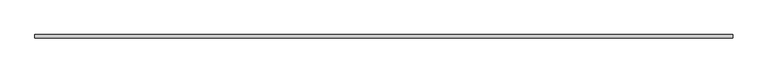
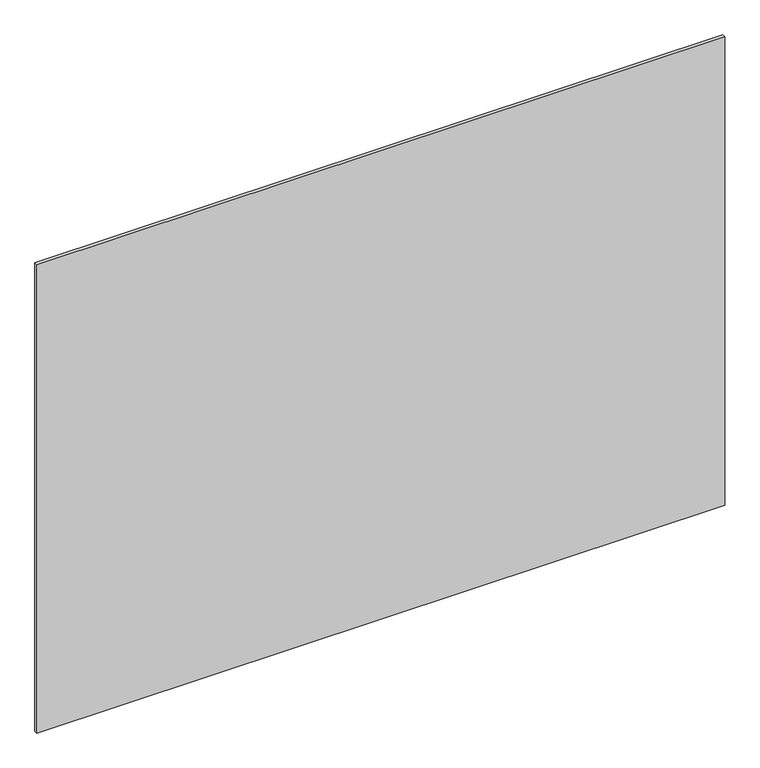
"""IFC4 building model written with IfcOpenShell, lengths in millimetres: plate geometry."""

from ifc_helpers import new_model, si_unit, origin, origin_with_axes, place, context, project, spatial, polyline, outline, extrude, source, transform, mapped, element, save


def plate_98ccd296(model_context):
    return source(origin(), model_context, "Body", "SweptSolid", [
        extrude(outline(polyline([(2499.9971111, 24.5), (-2499.9971111, 24.5), (-2499.9971111, 49.5), (2499.9971111, 49.5), (2499.9971111, 24.5)])), origin_with_axes(), (0.0, 0.0, 1.0), 3600.0),
    ])


if __name__ == "__main__":
    model = new_model("IFC4")
    model_context = context("Model", 3, world=origin())
    ifc_project = project(units=[si_unit("LENGTHUNIT", "METRE", prefix="MILLI")], contexts=[model_context])
    site = spatial("IfcSite", under=ifc_project)
    building = spatial("IfcBuilding", under=site)
    placement = place(None, origin())
    plate_shape = plate_98ccd296(model_context)
    element("IfcPlate", 1, at=placement, inside=building, context=model_context, shape_type="MappedRepresentation", body=[
        mapped(plate_shape, transform((0.0, 0.0, 0.0), x_axis=(1.0, 0.0, 0.0), y_axis=(0.0, 1.0, 0.0), z_axis=(0.0, 0.0, 1.0))),
    ])
    save(model, "model.ifc")
